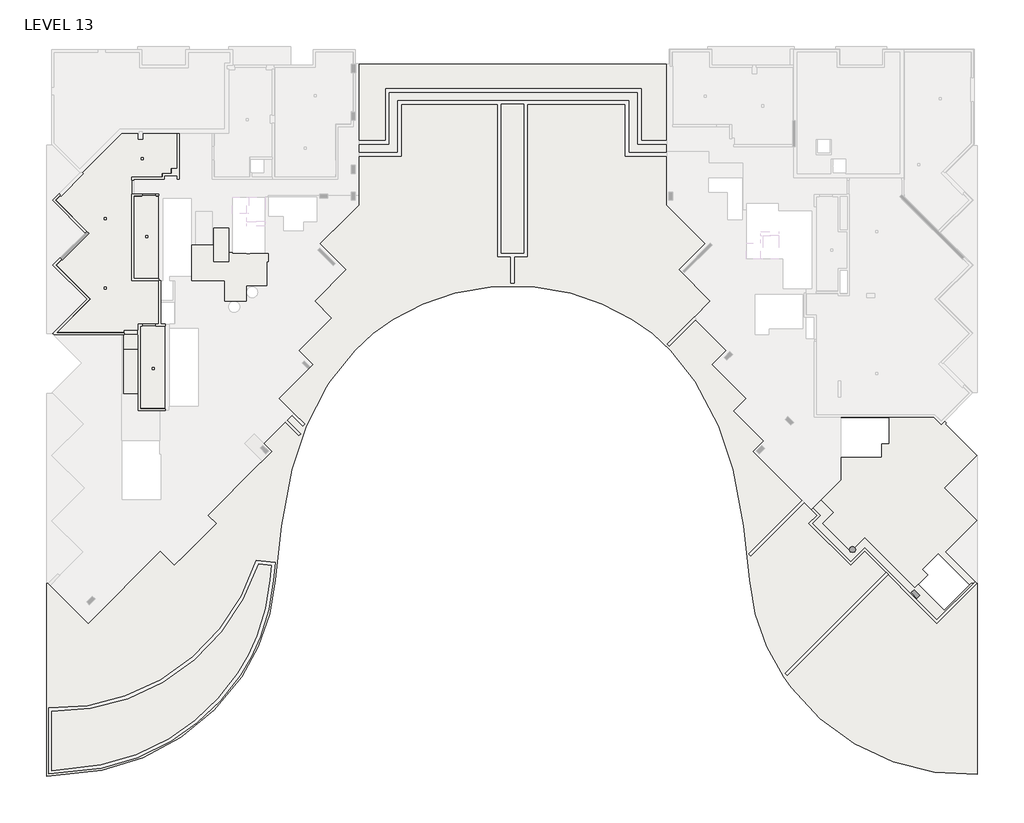
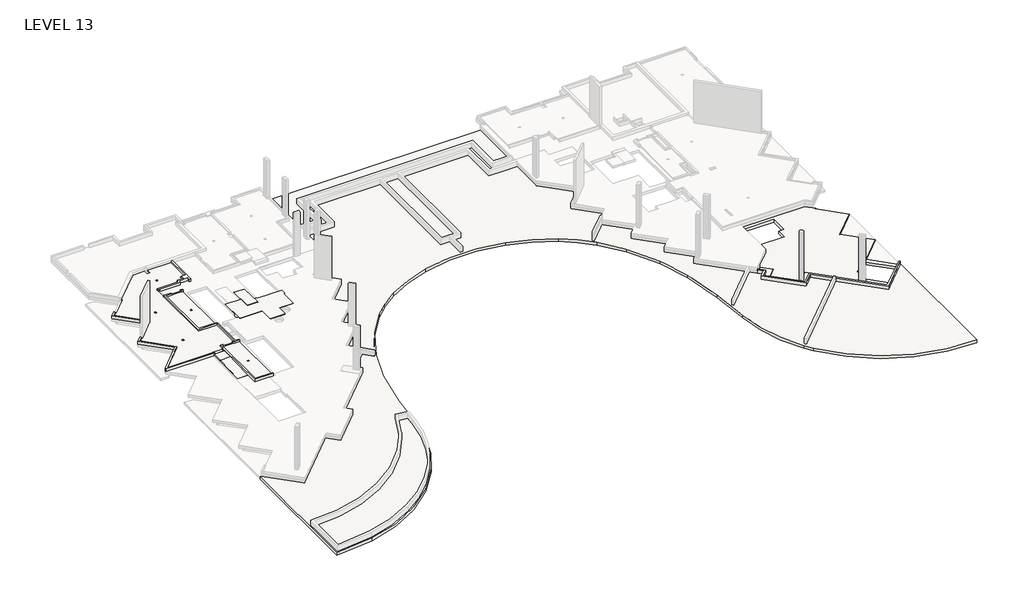
# One storey, part 3 of 5: 16 slabs.
"""IFC4 building model written with IfcOpenShell, lengths in millimetres."""

from ifc_helpers import new_model, si_unit, frame, origin, place, context, project, spatial, polyline, circle_curve, outline, extrude, faceted_brep, element, save
from ifc_brep_helpers import plane_surface, cylinder_surface, revolved_surface, advanced_brep

model = new_model("IFC4")

# Units and contexts
model_context = context("Model", 3, world=origin())
ifc_project = project(units=[si_unit("LENGTHUNIT", "METRE", prefix="MILLI")], contexts=[model_context])

# Site, building, storey
site = spatial("IfcSite", under=ifc_project)
building = spatial("IfcBuilding", under=site)
storey = spatial("IfcBuildingStorey", under=building, Name="LEVEL 13", Elevation=41350.0)

# Slabs
placement = place(None, origin())
element("IfcSlab", 1, ObjectType="300 TRANSFER SLAB", at=placement, inside=storey, context=model_context, shape_type="AdvancedBrep", body=[
    advanced_brep(
    [(177092.7148824, 178741.2468358, 40450.0), (178636.9284447, 178741.2468358, 40450.0), (180177.6999083, 177200.4753722, 40450.0), (185528.0555566, 182550.8310205, 40450.0), (186569.2233418, 181509.6632352, 40450.0), (188238.0107908, 183178.4506842, 40450.0), (187628.154746, 183788.306729, 40450.0), (192365.9563779, 188526.1083608, 40450.0), (191779.4730163, 189112.5917224, 40450.0), (194006.859377, 191339.9780831, 40450.0), (192893.3134847, 192453.5239755, 40450.0), (195403.5425579, 194963.7530487, 40450.0), (194362.5369954, 196004.7586111, 40450.0), (196780.8421871, 198423.0638028, 40450.0), (195536.1677402, 199667.7382497, 40450.0), (197855.4779825, 201987.048492, 40450.0), (195931.5445876, 203910.9818869, 40450.0), (199218.1920448, 207197.6293442, 40450.0), (199218.1920448, 217242.6490053, 40450.0), (224042.0250868, 217242.6490053, 40450.0), (224042.0250868, 207206.8127566, 40450.0), (227315.5865231, 203933.2513203, 40450.0), (225369.3798598, 201987.044657, 40450.0), (227688.8737564, 199667.5507604, 40450.0), (226444.1993095, 198422.8763135, 40450.0), (228862.4985728, 196004.5770502, 40450.0), (227821.6804996, 194963.7589771, 40450.0), (230331.7280119, 192453.7114648, 40450.0), (229400.0637814, 191522.0472343, 40450.0), (231627.525392, 189294.5856237, 40450.0), (230859.1603686, 188526.2206003, 40450.0), (234248.4590196, 185136.9219493, 40450.0), (235384.7547162, 184000.6262526, 40450.0), (234562.6543976, 183178.525934, 40450.0), (236655.7059153, 181085.4744164, 40450.0), (237696.7984507, 182126.5669518, 40450.0), (241424.5256004, 178398.8398022, 40450.0), (241674.8330065, 178649.1472084, 40450.0), (243584.0272409, 176739.952974, 40450.0), (245482.8211873, 178638.7469204, 40450.0), (245585.4333421, 178741.3590752, 40450.0), (246002.4018641, 178741.3590752, 40450.0), (246057.5141036, 178741.3590752, 40450.0), (246057.5141036, 164592.0462221, 40450.0), (232254.2528003, 171027.5821952, 40450.0), (231689.0540506, 171819.6534867, 40450.0), (229187.2501848, 178985.742701, 40450.0), (228727.4939175, 182985.0550997, 40450.0), (227983.7604506, 187202.8944956, 40450.0), (226898.7142603, 190423.6990912, 40450.0), (225141.7039187, 193690.2027974, 40450.0), (223318.1620181, 196009.1222946, 40450.0), (220495.2502794, 198313.1293785, 40450.0), (215914.8159299, 200257.0723546, 40450.0), (207336.2401225, 200257.0723546, 40450.0), (202755.805773, 198313.1293785, 40450.0), (199907.0669677, 196009.1222946, 40450.0), (198083.9001497, 193691.1641339, 40450.0), (197941.0561563, 193479.8002854, 40450.0), (197828.9705384, 193309.0705089, 40450.0), (196325.5402715, 190421.5075647, 40450.0), (195241.4685353, 187202.8944956, 40450.0), (194497.7350684, 182985.0550997, 40450.0), (194037.9788011, 178985.7427011, 40450.0), (191535.7999567, 171819.6534867, 40450.0), (181172.8086065, 164891.2831971, 40450.0), (177092.7148824, 164458.8771496, 40450.0), (177092.7148824, 178741.2468358, 40750.0), (177092.7148824, 164458.8771496, 40750.0), (181172.8086065, 164891.2831971, 40750.0), (191535.7999567, 171819.6534867, 40750.0), (194037.9788011, 178985.7427011, 40750.0), (194497.7350684, 182985.0550997, 40750.0), (195241.4685353, 187202.8944956, 40750.0), (196325.5402715, 190421.5075647, 40750.0), (197828.9705384, 193309.0705089, 40750.0), (197941.0561563, 193479.8002854, 40750.0), (198083.9001497, 193691.1641339, 40750.0), (199907.0669677, 196009.1222946, 40750.0), (202755.805773, 198313.1293785, 40750.0), (207336.2401225, 200257.0723546, 40750.0), (215914.8159299, 200257.0723546, 40750.0), (220495.2502794, 198313.1293785, 40750.0), (223318.1620181, 196009.1222946, 40750.0), (225141.7039187, 193690.2027974, 40750.0), (226898.7142603, 190423.6990912, 40750.0), (227983.7604506, 187202.8944956, 40750.0), (228727.4939175, 182985.0550997, 40750.0), (229187.2501848, 178985.7427011, 40750.0), (231689.0540506, 171819.6534867, 40750.0), (232254.2528003, 171027.5821952, 40750.0), (246057.5141036, 164592.0462221, 40750.0), (246057.5141036, 178741.3590752, 40750.0), (246002.4018641, 178741.3590752, 40750.0), (245585.4333421, 178741.3590752, 40750.0), (245482.8211873, 178638.7469204, 40750.0), (243584.0272409, 176739.952974, 40750.0), (241674.8330065, 178649.1472084, 40750.0), (241424.5256004, 178398.8398022, 40750.0), (237696.7984507, 182126.5669518, 40750.0), (236655.7059153, 181085.4744164, 40750.0), (234562.6543976, 183178.525934, 40750.0), (235384.7547162, 184000.6262526, 40750.0), (234460.5910539, 184924.789915, 40750.0), (234248.4590196, 185136.9219493, 40750.0), (230859.1603686, 188526.2206003, 40750.0), (231627.525392, 189294.5856237, 40750.0), (229400.0637814, 191522.0472343, 40750.0), (230331.7280119, 192453.7114648, 40750.0), (227821.6804996, 194963.7589771, 40750.0), (228862.4985728, 196004.5770502, 40750.0), (226444.1993095, 198422.8763135, 40750.0), (227688.8737564, 199667.5507604, 40750.0), (225369.3798598, 201987.044657, 40750.0), (227315.5865231, 203933.2513203, 40750.0), (224042.0250868, 207206.8127566, 40750.0), (224042.0250868, 217242.6490053, 40750.0), (223042.0250868, 217242.6490053, 40750.0), (199218.1920448, 217242.6490053, 40750.0), (199218.1920448, 217185.0490053, 40750.0), (199218.1920448, 207197.6293442, 40750.0), (195931.5445876, 203910.9818869, 40750.0), (196638.6513687, 203203.8751057, 40750.0), (197855.4779825, 201987.048492, 40750.0), (196243.2745214, 200374.8450309, 40750.0), (195536.1677402, 199667.7382497, 40750.0), (196780.8421871, 198423.0638028, 40750.0), (194362.5369954, 196004.7586111, 40750.0), (195403.5425579, 194963.7530487, 40750.0), (192893.3134847, 192453.5239755, 40750.0), (194006.859377, 191339.9780831, 40750.0), (191779.4730163, 189112.5917224, 40750.0), (192365.9563779, 188526.1083608, 40750.0), (187628.154746, 183788.306729, 40750.0), (188238.0107908, 183178.4506842, 40750.0), (186569.2233418, 181509.6632352, 40750.0), (185528.0555566, 182550.8310205, 40750.0), (180177.6999083, 177200.4753722, 40750.0), (178636.9284447, 178741.2468358, 40750.0)],
    [
        (0, 1),
        (1, 2),
        (2, 3),
        (3, 4),
        (4, 5),
        (5, 6),
        (6, 7),
        (7, 8),
        (8, 9),
        (9, 10),
        (10, 11),
        (11, 12),
        (12, 13),
        (13, 14),
        (14, 15),
        (15, 16),
        (16, 17),
        (17, 18),
        (18, 19),
        (19, 20),
        (20, 21),
        (21, 22),
        (22, 23),
        (23, 24),
        (24, 25),
        (25, 26),
        (26, 27),
        (27, 28),
        (28, 29),
        (29, 30),
        (30, 31),
        (31, 32),
        (32, 33),
        (33, 34),
        (34, 35),
        (35, 36),
        (36, 37),
        (37, 38),
        (38, 39),
        (39, 40),
        (40, 41),
        (41, 42),
        (42, 43),
        (43, 44, circle_curve(frame((245262.4874248, 180907.5656106, 40450.0), z_axis=(0.0, 0.0, -1.0), x_axis=(1.0, 0.0, 0.0)), 16334.8780325)),
        (44, 45, circle_curve(frame((245262.4874248, 180907.5656106, 40450.0), z_axis=(0.0, 0.0, -1.0), x_axis=(1.0, 0.0, 0.0)), 16334.8780325)),
        (45, 46, circle_curve(frame((244234.3376289, 180219.1815638, 40450.0), z_axis=(0.0, 0.0, -1.0), x_axis=(1.0, 0.0, 0.0)), 15097.5564903)),
        (46, 47, circle_curve(frame((129428.051674, 169543.6248485, 40450.0), z_axis=(0.0, 0.0, 1.0), x_axis=(1.0, 0.0, 0.0)), 100205.0461657)),
        (47, 48, circle_curve(frame((197377.1330649, 179631.5233702, 40450.0), z_axis=(0.0, 0.0, 1.0), x_axis=(1.0, 0.0, 0.0)), 31529.2134479)),
        (48, 49, circle_curve(frame((210270.4118974, 183028.6742886, 40450.0), z_axis=(0.0, 0.0, 1.0), x_axis=(1.0, 0.0, 0.0)), 18198.5392629)),
        (49, 50, circle_curve(frame((207712.3895659, 182209.4102314, 40450.0), z_axis=(0.0, 0.0, 1.0), x_axis=(1.0, 0.0, 0.0)), 20870.7833287)),
        (50, 51, circle_curve(frame((210443.9850343, 184008.7283406, 40450.0), z_axis=(0.0, 0.0, 1.0), x_axis=(1.0, 0.0, 0.0)), 17599.8263646)),
        (51, 52, circle_curve(frame((213519.5968853, 186885.0857325, 40450.0), z_axis=(0.0, 0.0, 1.0), x_axis=(1.0, 0.0, 0.0)), 13388.7983721)),
        (52, 53, circle_curve(frame((211625.5280262, 183782.0786925, 40450.0), z_axis=(0.0, 0.0, 1.0), x_axis=(1.0, 0.0, 0.0)), 17024.2006241)),
        (53, 54, circle_curve(frame((211625.5280262, 183782.0786925, 40450.0), z_axis=(0.0, 0.0, 1.0), x_axis=(1.0, 0.0, 0.0)), 17024.2006241)),
        (54, 55, circle_curve(frame((211625.5280262, 183782.0786925, 40450.0), z_axis=(0.0, 0.0, 1.0), x_axis=(1.0, 0.0, 0.0)), 17024.2006241)),
        (55, 56, circle_curve(frame((210005.1524798, 186436.7006213, 40450.0), z_axis=(0.0, 0.0, 1.0), x_axis=(1.0, 0.0, 0.0)), 13914.1146933)),
        (56, 57, circle_curve(frame((216873.5365078, 180788.3393989, 40450.0), z_axis=(0.0, 0.0, 1.0), x_axis=(1.0, 0.0, 0.0)), 22793.2735826)),
        (57, 58, circle_curve(frame((212236.907744, 183972.307793, 40450.0), z_axis=(0.0, 0.0, 1.0), x_axis=(1.0, 0.0, 0.0)), 17168.6863953)),
        (58, 59, circle_curve(frame((212236.907744, 183972.307793, 40450.0), z_axis=(0.0, 0.0, 1.0), x_axis=(1.0, 0.0, 0.0)), 17168.686208)),
        (59, 60, circle_curve(frame((212236.907744, 183972.307793, 40450.0), z_axis=(0.0, 0.0, 1.0), x_axis=(1.0, 0.0, 0.0)), 17168.6863951)),
        (60, 61, circle_curve(frame((212954.8170885, 183028.6742886, 40450.0), z_axis=(0.0, 0.0, 1.0), x_axis=(1.0, 0.0, 0.0)), 18198.5392629)),
        (61, 62, circle_curve(frame((225848.095921, 179631.5233702, 40450.0), z_axis=(0.0, 0.0, 1.0), x_axis=(1.0, 0.0, 0.0)), 31529.2134479)),
        (62, 63, circle_curve(frame((293797.1773119, 169543.6248485, 40450.0), z_axis=(0.0, 0.0, 1.0), x_axis=(1.0, 0.0, 0.0)), 100205.0461657)),
        (63, 64, circle_curve(frame((178988.05865, 180220.8271032, 40450.0), z_axis=(0.0, 0.0, -1.0), x_axis=(1.0, 0.0, 0.0)), 15100.5142308)),
        (64, 65, circle_curve(frame((177962.3665825, 180907.5656106, 40450.0), z_axis=(0.0, 0.0, -1.0), x_axis=(1.0, 0.0, 0.0)), 16334.8780325)),
        (65, 66, circle_curve(frame((176795.5352327, 186728.6644771, 40450.0), z_axis=(0.0, 0.0, -1.0), x_axis=(1.0, 0.0, 0.0)), 22271.7700992)),
        (66, 0),
        (67, 68),
        (68, 69, circle_curve(frame((176795.5352327, 186728.6644771, 40750.0), z_axis=(0.0, 0.0, 1.0), x_axis=(1.0, 0.0, 0.0)), 22271.7700992)),
        (69, 70, circle_curve(frame((177962.3665825, 180907.5656106, 40750.0), z_axis=(0.0, 0.0, 1.0), x_axis=(1.0, 0.0, 0.0)), 16334.8780325)),
        (70, 71, circle_curve(frame((178988.05865, 180220.8271032, 40750.0), z_axis=(0.0, 0.0, 1.0), x_axis=(1.0, 0.0, 0.0)), 15100.5142308)),
        (71, 72, circle_curve(frame((293797.1773119, 169543.6248485, 40750.0), z_axis=(0.0, 0.0, -1.0), x_axis=(1.0, 0.0, 0.0)), 100205.0461657)),
        (72, 73, circle_curve(frame((225848.095921, 179631.5233702, 40750.0), z_axis=(0.0, 0.0, -1.0), x_axis=(1.0, 0.0, 0.0)), 31529.2134479)),
        (73, 74, circle_curve(frame((212954.8170885, 183028.6742886, 40750.0), z_axis=(0.0, 0.0, -1.0), x_axis=(1.0, 0.0, 0.0)), 18198.5392629)),
        (74, 75, circle_curve(frame((212236.907744, 183972.307793, 40750.0), z_axis=(0.0, 0.0, -1.0), x_axis=(1.0, 0.0, 0.0)), 17168.6863953)),
        (75, 76, circle_curve(frame((212236.907744, 183972.307793, 40750.0), z_axis=(0.0, 0.0, -1.0), x_axis=(1.0, 0.0, 0.0)), 17168.6863951)),
        (76, 77, circle_curve(frame((212236.907744, 183972.307793, 40750.0), z_axis=(0.0, 0.0, -1.0), x_axis=(1.0, 0.0, 0.0)), 17168.686208)),
        (77, 78, circle_curve(frame((216873.5365078, 180788.3393989, 40750.0), z_axis=(0.0, 0.0, -1.0), x_axis=(1.0, 0.0, 0.0)), 22793.2735826)),
        (78, 79, circle_curve(frame((210005.1524798, 186436.7006213, 40750.0), z_axis=(0.0, 0.0, -1.0), x_axis=(1.0, 0.0, 0.0)), 13914.1146933)),
        (79, 80, circle_curve(frame((211625.5280262, 183782.0786925, 40750.0), z_axis=(0.0, 0.0, -1.0), x_axis=(1.0, 0.0, 0.0)), 17024.2006241)),
        (80, 81, circle_curve(frame((211625.5280262, 183782.0786925, 40750.0), z_axis=(0.0, 0.0, -1.0), x_axis=(1.0, 0.0, 0.0)), 17024.2006241)),
        (81, 82, circle_curve(frame((211625.5280262, 183782.0786925, 40750.0), z_axis=(0.0, 0.0, -1.0), x_axis=(1.0, 0.0, 0.0)), 17024.2006241)),
        (82, 83, circle_curve(frame((213519.5968853, 186885.0857325, 40750.0), z_axis=(0.0, 0.0, -1.0), x_axis=(1.0, 0.0, 0.0)), 13388.7983721)),
        (83, 84, circle_curve(frame((210443.9850343, 184008.7283406, 40750.0), z_axis=(0.0, 0.0, -1.0), x_axis=(1.0, 0.0, 0.0)), 17599.8263646)),
        (84, 85, circle_curve(frame((207712.3895659, 182209.4102314, 40750.0), z_axis=(0.0, 0.0, -1.0), x_axis=(1.0, 0.0, 0.0)), 20870.7833287)),
        (85, 86, circle_curve(frame((210270.4118974, 183028.6742886, 40750.0), z_axis=(0.0, 0.0, -1.0), x_axis=(1.0, 0.0, 0.0)), 18198.5392629)),
        (86, 87, circle_curve(frame((197377.1330649, 179631.5233702, 40750.0), z_axis=(0.0, 0.0, -1.0), x_axis=(1.0, 0.0, 0.0)), 31529.2134479)),
        (87, 88, circle_curve(frame((129428.051674, 169543.6248485, 40750.0), z_axis=(0.0, 0.0, -1.0), x_axis=(1.0, 0.0, 0.0)), 100205.0461657)),
        (88, 89, circle_curve(frame((244234.3376289, 180219.1815638, 40750.0), z_axis=(0.0, 0.0, 1.0), x_axis=(1.0, 0.0, 0.0)), 15097.5564903)),
        (89, 90, circle_curve(frame((245262.4874248, 180907.5656106, 40750.0), z_axis=(0.0, 0.0, 1.0), x_axis=(1.0, 0.0, 0.0)), 16334.8780325)),
        (90, 91, circle_curve(frame((245262.4874248, 180907.5656106, 40750.0), z_axis=(0.0, 0.0, 1.0), x_axis=(1.0, 0.0, 0.0)), 16334.8780325)),
        (91, 92),
        (92, 93),
        (93, 94),
        (94, 95),
        (95, 96),
        (96, 97),
        (97, 98),
        (98, 99),
        (99, 100),
        (100, 101),
        (101, 102),
        (102, 103),
        (103, 104),
        (104, 105),
        (105, 106),
        (106, 107),
        (107, 108),
        (108, 109),
        (109, 110),
        (110, 111),
        (111, 112),
        (112, 113),
        (113, 114),
        (114, 115),
        (115, 116),
        (116, 117),
        (117, 118),
        (118, 119),
        (119, 120),
        (120, 121),
        (121, 122),
        (122, 123),
        (123, 124),
        (124, 125),
        (125, 126),
        (126, 127),
        (127, 128),
        (128, 129),
        (129, 130),
        (130, 131),
        (131, 132),
        (132, 133),
        (133, 134),
        (134, 135),
        (135, 136),
        (136, 137),
        (137, 138),
        (138, 67),
        (0, 67),
        (138, 1),
        (137, 2),
        (136, 3),
        (135, 4),
        (134, 5),
        (133, 6),
        (132, 7),
        (131, 8),
        (130, 9),
        (129, 10),
        (128, 11),
        (127, 12),
        (126, 13),
        (125, 14),
        (123, 15),
        (121, 16),
        (120, 17),
        (118, 18),
        (116, 19),
        (115, 20),
        (114, 21),
        (113, 22),
        (112, 23),
        (111, 24),
        (110, 25),
        (109, 26),
        (108, 27),
        (107, 28),
        (106, 29),
        (105, 30),
        (102, 32),
        (101, 33),
        (100, 34),
        (99, 35),
        (98, 36),
        (38, 96),
        (94, 40),
        (92, 42),
        (91, 43),
        (90, 44),
        (89, 45),
        (88, 46),
        (87, 47),
        (86, 48),
        (85, 49),
        (84, 50),
        (83, 51),
        (82, 52),
        (81, 53),
        (80, 54),
        (79, 55),
        (78, 56),
        (77, 57),
        (74, 60),
        (73, 61),
        (72, 62),
        (71, 63),
        (70, 64),
        (69, 65),
        (68, 66),
        (97, 37),
    ],
    [
        plane_surface(frame((177222.7148823, 178741.2468358, 40450.0), z_axis=(0.0, 0.0, -1.0), x_axis=(1.0, 0.0, 0.0))),
        plane_surface(frame((177222.7148823, 178741.2468358, 40750.0), z_axis=(0.0, 0.0, 1.0), x_axis=(-1.0, 0.0, 0.0))),
        plane_surface(frame((177092.7148824, 178741.2468358, 40450.0), z_axis=(0.0, 1.0, 0.0), x_axis=(0.0, 0.0, 1.0))),
        plane_surface(frame((178636.9284447, 178741.2468358, 40450.0), z_axis=(0.7071067811865237, 0.7071067811865714, 0.0), x_axis=(0.0, 0.0, 1.0))),
        plane_surface(frame((180177.6999083, 177200.4753722, 40450.0), z_axis=(-0.7071067811865476, 0.7071067811865476, 0.0), x_axis=(0.0, 0.0, 1.0))),
        plane_surface(frame((185528.0555566, 182550.8310205, 40450.0), z_axis=(0.7071067811865476, 0.7071067811865476, 0.0), x_axis=(0.0, 0.0, 1.0))),
        plane_surface(frame((186569.2233418, 181509.6632352, 40450.0), z_axis=(-0.7071067811865476, 0.7071067811865476, 0.0), x_axis=(0.0, 0.0, 1.0))),
        plane_surface(frame((188238.0107908, 183178.4506842, 40450.0), z_axis=(-0.7071067811865476, -0.7071067811865476, 0.0), x_axis=(0.0, 0.0, 1.0))),
        plane_surface(frame((187628.154746, 183788.306729, 40450.0), z_axis=(-0.7071067811865476, 0.7071067811865476, 0.0), x_axis=(0.0, 0.0, 1.0))),
        plane_surface(frame((192365.9563779, 188526.1083608, 40450.0), z_axis=(-0.7071067811865476, -0.7071067811865476, 0.0), x_axis=(0.0, 0.0, 1.0))),
        plane_surface(frame((191779.4730163, 189112.5917224, 40450.0), z_axis=(-0.7071067811865476, 0.7071067811865476, 0.0), x_axis=(0.0, 0.0, 1.0))),
        plane_surface(frame((194006.859377, 191339.9780831, 40450.0), z_axis=(-0.7071067811865476, -0.7071067811865476, 0.0), x_axis=(0.0, 0.0, 1.0))),
        plane_surface(frame((192893.3134847, 192453.5239755, 40450.0), z_axis=(-0.7071067811865329, 0.7071067811865622, 0.0), x_axis=(0.0, 0.0, 1.0))),
        plane_surface(frame((195403.5425579, 194963.7530487, 40450.0), z_axis=(-0.7071067811865829, -0.7071067811865123, 0.0), x_axis=(0.0, 0.0, 1.0))),
        plane_surface(frame((194362.5369954, 196004.7586111, 40450.0), z_axis=(-0.7071067811865476, 0.7071067811865476, 0.0), x_axis=(0.0, 0.0, 1.0))),
        plane_surface(frame((196780.8421871, 198423.0638028, 40450.0), z_axis=(-0.7071067811865476, -0.7071067811865476, 0.0), x_axis=(0.0, 0.0, 1.0))),
        plane_surface(frame((195536.1677402, 199667.7382497, 40450.0), z_axis=(-0.7071067811865476, 0.7071067811865476, 0.0), x_axis=(0.0, 0.0, 1.0))),
        plane_surface(frame((197855.4779825, 201987.048492, 40450.0), z_axis=(-0.7071067811865476, -0.7071067811865476, 0.0), x_axis=(0.0, 0.0, 1.0))),
        plane_surface(frame((195931.5445876, 203910.9818869, 40450.0), z_axis=(-0.7071067811865476, 0.7071067811865476, 0.0), x_axis=(0.0, 0.0, 1.0))),
        plane_surface(frame((199218.1920448, 207197.6293442, 40450.0), z_axis=(-1.0, 0.0, 0.0), x_axis=(0.0, 0.0, 1.0))),
        plane_surface(frame((199218.1920448, 217242.6490053, 40450.0), z_axis=(0.0, 1.0, 0.0), x_axis=(0.0, 0.0, 1.0))),
        plane_surface(frame((224042.0250868, 217242.6490053, 40450.0), z_axis=(1.0, 0.0, 0.0), x_axis=(0.0, 0.0, 1.0))),
        plane_surface(frame((224042.0250868, 207206.8127566, 40450.0), z_axis=(0.7071067811865438, 0.7071067811865512, 0.0), x_axis=(0.0, 0.0, 1.0))),
        plane_surface(frame((227315.5865231, 203933.2513203, 40450.0), z_axis=(0.7071067811865664, -0.7071067811865287, 0.0), x_axis=(0.0, 0.0, 1.0))),
        plane_surface(frame((225369.3798598, 201987.044657, 40450.0), z_axis=(0.7071067811865476, 0.7071067811865476, 0.0), x_axis=(0.0, 0.0, 1.0))),
        plane_surface(frame((227688.8737564, 199667.5507604, 40450.0), z_axis=(0.7071067811865377, -0.7071067811865575, 0.0), x_axis=(0.0, 0.0, 1.0))),
        plane_surface(frame((226444.1993095, 198422.8763135, 40450.0), z_axis=(0.7071067811865476, 0.7071067811865476, 0.0), x_axis=(0.0, 0.0, 1.0))),
        plane_surface(frame((228862.4985728, 196004.5770502, 40450.0), z_axis=(0.7071067811865476, -0.7071067811865476, 0.0), x_axis=(0.0, 0.0, 1.0))),
        plane_surface(frame((227821.6804996, 194963.7589771, 40450.0), z_axis=(0.7071067811864987, 0.7071067811865964, 0.0), x_axis=(0.0, 0.0, 1.0))),
        plane_surface(frame((230331.7280119, 192453.7114648, 40450.0), z_axis=(0.7071067811865476, -0.7071067811865476, 0.0), x_axis=(0.0, 0.0, 1.0))),
        plane_surface(frame((229400.0637814, 191522.0472343, 40450.0), z_axis=(0.7071067811865531, 0.7071067811865421, 0.0), x_axis=(0.0, 0.0, 1.0))),
        plane_surface(frame((231627.525392, 189294.5856237, 40450.0), z_axis=(0.7071067811865476, -0.7071067811865476, 0.0), x_axis=(0.0, 0.0, 1.0))),
        plane_surface(frame((230859.1603686, 188526.2206003, 40450.0), z_axis=(0.7071067811865476, 0.7071067811865476, 0.0), x_axis=(0.0, 0.0, 1.0))),
        plane_surface(frame((235384.7547162, 184000.6262526, 40450.0), z_axis=(0.7071067811865177, -0.7071067811865773, 0.0), x_axis=(0.0, 0.0, 1.0))),
        plane_surface(frame((234562.6543976, 183178.525934, 40450.0), z_axis=(0.7071067811865476, 0.7071067811865476, 0.0), x_axis=(0.0, 0.0, 1.0))),
        plane_surface(frame((236655.7059153, 181085.4744164, 40450.0), z_axis=(-0.7071067811865476, 0.7071067811865476, 0.0), x_axis=(0.0, 0.0, 1.0))),
        plane_surface(frame((237696.7984507, 182126.5669518, 40450.0), z_axis=(0.7071067811865673, 0.7071067811865278, 0.0), x_axis=(0.0, 0.0, 1.0))),
        plane_surface(frame((243584.0272409, 176739.952974, 40450.0), z_axis=(-0.7071067811865291, 0.7071067811865659, 0.0), x_axis=(0.0, 0.0, 1.0))),
        plane_surface(frame((245585.4333421, 178741.3590752, 40450.0), z_axis=(0.0, 1.0, 0.0), x_axis=(0.0, 0.0, 1.0))),
        plane_surface(frame((246057.5141036, 178741.3590752, 40450.0), z_axis=(1.0, 0.0, 0.0), x_axis=(0.0, 0.0, 1.0))),
        cylinder_surface(frame((245262.4874248, 180907.5656106, 40750.0), z_axis=(0.0, 0.0, -1.0), x_axis=(1.0, 0.0, 0.0)), 16334.8780325),
        cylinder_surface(frame((244234.3376289, 180219.1815638, 40750.0), z_axis=(0.0, 0.0, -1.0), x_axis=(1.0, 0.0, 0.0)), 15097.5564903),
        revolved_surface(polyline([(229633.0978397, 169543.6248485, 40750.0), (229633.0978397, 169543.6248485, 40450.0)]), (129428.051674, 169543.6248485, 40750.0), (0.0, 0.0, 1.0)),
        revolved_surface(polyline([(228906.3465128, 179631.5233702, 40750.0), (228906.3465128, 179631.5233702, 40450.0)]), (197377.1330649, 179631.5233702, 40750.0), (0.0, 0.0, 1.0)),
        revolved_surface(polyline([(228468.9511603, 183028.6742886, 40750.0), (228468.9511603, 183028.6742886, 40450.0)]), (210270.4118974, 183028.6742886, 40750.0), (0.0, 0.0, 1.0)),
        revolved_surface(polyline([(228583.1728946, 182209.4102314, 40750.0), (228583.1728946, 182209.4102314, 40450.0)]), (207712.3895659, 182209.4102314, 40750.0), (0.0, 0.0, 1.0)),
        revolved_surface(polyline([(228043.81139890003, 184008.7283406, 40750.0), (228043.81139890003, 184008.7283406, 40450.0)]), (210443.9850343, 184008.7283406, 40750.0), (0.0, 0.0, 1.0)),
        revolved_surface(polyline([(226908.3952574, 186885.0857325, 40750.0), (226908.3952574, 186885.0857325, 40450.0)]), (213519.5968853, 186885.0857325, 40750.0), (0.0, 0.0, 1.0)),
        revolved_surface(polyline([(228649.72865029998, 183782.0786925, 40750.0), (228649.72865029998, 183782.0786925, 40450.0)]), (211625.5280262, 183782.0786925, 40750.0), (0.0, 0.0, 1.0)),
        revolved_surface(polyline([(223919.2671731, 186436.7006213, 40750.0), (223919.2671731, 186436.7006213, 40450.0)]), (210005.1524798, 186436.7006213, 40750.0), (0.0, 0.0, 1.0)),
        revolved_surface(polyline([(239666.8100904, 180788.3393989, 40750.0), (239666.8100904, 180788.3393989, 40450.0)]), (216873.5365078, 180788.3393989, 40750.0), (0.0, 0.0, 1.0)),
        revolved_surface(polyline([(229405.5941393, 183972.307793, 40750.0), (229405.5941393, 183972.307793, 40450.0)]), (212236.907744, 183972.307793, 40750.0), (0.0, 0.0, 1.0)),
        revolved_surface(polyline([(231153.35635140003, 183028.6742886, 40750.0), (231153.35635140003, 183028.6742886, 40450.0)]), (212954.8170885, 183028.6742886, 40750.0), (0.0, 0.0, 1.0)),
        revolved_surface(polyline([(257377.3093689, 179631.5233702, 40750.0), (257377.3093689, 179631.5233702, 40450.0)]), (225848.095921, 179631.5233702, 40750.0), (0.0, 0.0, 1.0)),
        revolved_surface(polyline([(394002.2234776, 169543.6248485, 40750.0), (394002.2234776, 169543.6248485, 40450.0)]), (293797.1773119, 169543.6248485, 40750.0), (0.0, 0.0, 1.0)),
        cylinder_surface(frame((178988.05865, 180220.8271032, 40750.0), z_axis=(0.0, 0.0, -1.0), x_axis=(1.0, 0.0, 0.0)), 15100.5142308),
        cylinder_surface(frame((177962.3665825, 180907.5656106, 40750.0), z_axis=(0.0, 0.0, -1.0), x_axis=(1.0, 0.0, 0.0)), 16334.8780325),
        cylinder_surface(frame((176795.5352327, 186728.6644771, 40750.0), z_axis=(0.0, 0.0, -1.0), x_axis=(1.0, 0.0, 0.0)), 22271.7700992),
        plane_surface(frame((177092.7148824, 164458.8771496, 40450.0), z_axis=(-1.0, 0.0, 0.0), x_axis=(0.0, 0.0, 1.0))),
        plane_surface(frame((241424.5256004, 178398.8398022, 40450.0), z_axis=(-0.7071067811865476, 0.7071067811865476, 0.0), x_axis=(0.0, 0.0, 1.0))),
        plane_surface(frame((241674.8330065, 178649.1472084, 40450.0), z_axis=(0.707106781186554, 0.7071067811865411, 0.0), x_axis=(0.0, 0.0, 1.0))),
    ],
    [
        (0, [[1, 2, 3, 4, 5, 6, 7, 8, 9, 10, 11, 12, 13, 14, 15, 16, 17, 18, 19, 20, 21, 22, 23, 24, 25, 26, 27, 28, 29, 30, 31, 32, 33, 34, 35, 36, 37, 38, 39, 40, 41, 42, 43, 44, 45, 46, 47, 48, 49, 50, 51, 52, 53, 54, 55, 56, 57, 58, 59, 60, 61, 62, 63, 64, 65, 66, 67]]),
        (1, [[68, 69, 70, 71, 72, 73, 74, 75, 76, 77, 78, 79, 80, 81, 82, 83, 84, 85, 86, 87, 88, 89, 90, 91, 92, 93, 94, 95, 96, 97, 98, 99, 100, 101, 102, 103, 104, 105, 106, 107, 108, 109, 110, 111, 112, 113, 114, 115, 116, 117, 118, 119, 120, 121, 122, 123, 124, 125, 126, 127, 128, 129, 130, 131, 132, 133, 134, 135, 136, 137, 138, 139]]),
        (2, [[-1, 140, -139, 141]]),
        (3, [[-2, -141, -138, 142]]),
        (4, [[-3, -142, -137, 143]]),
        (5, [[-4, -143, -136, 144]]),
        (6, [[-5, -144, -135, 145]]),
        (7, [[-6, -145, -134, 146]]),
        (8, [[-7, -146, -133, 147]]),
        (9, [[-8, -147, -132, 148]]),
        (10, [[-9, -148, -131, 149]]),
        (11, [[-10, -149, -130, 150]]),
        (12, [[-11, -150, -129, 151]]),
        (13, [[-12, -151, -128, 152]]),
        (14, [[-13, -152, -127, 153]]),
        (15, [[-14, -153, -126, 154]]),
        (16, [[-15, -154, -125, -124, 155]]),
        (17, [[-16, -155, -123, -122, 156]]),
        (18, [[-17, -156, -121, 157]]),
        (19, [[-18, -157, -120, -119, 158]]),
        (20, [[-19, -158, -118, -117, 159]]),
        (21, [[-20, -159, -116, 160]]),
        (22, [[-21, -160, -115, 161]]),
        (23, [[-22, -161, -114, 162]]),
        (24, [[-23, -162, -113, 163]]),
        (25, [[-24, -163, -112, 164]]),
        (26, [[-25, -164, -111, 165]]),
        (27, [[-26, -165, -110, 166]]),
        (28, [[-27, -166, -109, 167]]),
        (29, [[-28, -167, -108, 168]]),
        (30, [[-29, -168, -107, 169]]),
        (31, [[-30, -169, -106, 170]]),
        (32, [[-32, -31, -170, -105, -104, -103, 171]]),
        (33, [[-33, -171, -102, 172]]),
        (34, [[-34, -172, -101, 173]]),
        (35, [[-35, -173, -100, 174]]),
        (36, [[-36, -174, -99, 175]]),
        (37, [[-40, -39, 176, -96, -95, 177]]),
        (38, [[-42, -41, -177, -94, -93, 178]]),
        (39, [[-43, -178, -92, 179]]),
        (40, [[-44, -179, -91, 180]]),
        (40, [[-45, -180, -90, 181]]),
        (41, [[-46, -181, -89, 182]]),
        (42, [[-47, -182, -88, 183]]),
        (43, [[-48, -183, -87, 184]]),
        (44, [[-49, -184, -86, 185]]),
        (45, [[-50, -185, -85, 186]]),
        (46, [[-51, -186, -84, 187]]),
        (47, [[-52, -187, -83, 188]]),
        (48, [[-53, -188, -82, 189]]),
        (48, [[-54, -189, -81, 190]]),
        (48, [[-55, -190, -80, 191]]),
        (49, [[-56, -191, -79, 192]]),
        (50, [[-57, -192, -78, 193]]),
        (51, [[-60, -59, -58, -193, -77, -76, -75, 194]]),
        (52, [[-61, -194, -74, 195]]),
        (53, [[-62, -195, -73, 196]]),
        (54, [[-63, -196, -72, 197]]),
        (55, [[-64, -197, -71, 198]]),
        (56, [[-65, -198, -70, 199]]),
        (57, [[-66, -199, -69, 200]]),
        (58, [[-67, -200, -68, -140]]),
        (59, [[-37, -175, -98, 201]]),
        (60, [[-38, -201, -97, -176]]),
    ],
),
])
element("IfcSlab", 2, ObjectType="300 TRANSFER SLAB", at=placement, inside=storey, context=model_context, shape_type="Brep", body=[
    faceted_brep([(235648.3270284, 186536.7899582, 40450.0), (235648.3270284, 191369.9667857, 40450.0), (242990.446377, 191369.9667857, 40450.0), (243743.3079376, 190617.1052251, 40450.0), (243672.5972595, 190546.394547, 40450.0), (246002.5141036, 188216.4777029, 40450.0), (243584.2148376, 185798.1784369, 40450.0), (245992.0949916, 183390.2982829, 40450.0), (243672.778824, 181070.9821153, 40450.0), (246002.4018641, 178741.3590752, 40450.0), (245585.4333421, 178741.3590752, 40450.0), (245482.8211873, 178638.7469204, 40450.0), (243163.5050198, 180958.0630878, 40450.0), (241971.8178546, 179766.3759226, 40450.0), (242381.9397877, 179356.2539895, 40450.0), (241674.8330065, 178649.1472084, 40450.0), (241424.5256004, 178398.8398022, 40450.0), (237696.7984507, 182126.5669518, 40450.0), (236655.7059153, 181085.4744164, 40450.0), (234562.6543976, 183178.525934, 40450.0), (235384.7547162, 184000.6262526, 40450.0), (234248.4590196, 185136.9219493, 40450.0), (238930.1270284, 189120.2045887, 40450.0), (239468.3270284, 189120.2045887, 40450.0), (239468.3270284, 190999.9667857, 40450.0), (235948.3270284, 190999.9667857, 40450.0), (235948.3270284, 188104.2045887, 40450.0), (238930.1270284, 188104.2045887, 40450.0), (235648.3270284, 191369.9667857, 40750.0), (235648.3270284, 186536.7899582, 40750.0), (234248.4590195, 185136.9219493, 40750.0), (234460.5910539, 184924.789915, 40750.0), (235384.7547162, 184000.6262526, 40750.0), (234562.6543976, 183178.525934, 40750.0), (236655.7059153, 181085.4744164, 40750.0), (237696.7984507, 182126.5669518, 40750.0), (241424.5256004, 178398.8398022, 40750.0), (241674.8330065, 178649.1472084, 40750.0), (242381.9397877, 179356.2539895, 40750.0), (241971.8178546, 179766.3759226, 40750.0), (243163.5050198, 180958.0630878, 40750.0), (245482.8152621, 178638.7528455, 40750.0), (245585.4333421, 178741.3590752, 40750.0), (246002.4018641, 178741.3590752, 40750.0), (243672.778824, 181070.9821153, 40750.0), (245992.0949916, 183390.2982829, 40750.0), (243584.2148376, 185798.1784369, 40750.0), (246002.5141036, 188216.4777029, 40750.0), (243672.5972595, 190546.394547, 40750.0), (243743.3079376, 190617.1052251, 40750.0), (242990.446377, 191369.9667857, 40750.0), (239468.3270284, 189120.2045887, 40750.0), (238930.1270284, 189120.2045887, 40750.0), (238930.1270284, 188104.2045887, 40750.0), (235948.3270284, 188104.2045887, 40750.0), (235948.3270284, 190999.9667857, 40750.0), (239468.3270284, 190999.9667857, 40750.0)], [[[0, 1, 2, 3, 4, 5, 6, 7, 8, 9, 10, 11, 12, 13, 14, 15, 16, 17, 18, 19, 20, 21], [22, 23, 24, 25, 26, 27]], [[28, 29, 30, 31, 32, 33, 34, 35, 36, 37, 38, 39, 40, 41, 42, 43, 44, 45, 46, 47, 48, 49, 50], [51, 52, 53, 54, 55, 56]], [[29, 0, 21, 30]], [[1, 0, 29, 28]], [[2, 1, 28, 50]], [[3, 2, 50, 49]], [[4, 3, 49, 48]], [[5, 4, 48, 47]], [[6, 5, 47, 46]], [[7, 6, 46, 45]], [[8, 7, 45, 44]], [[9, 8, 44, 43]], [[14, 13, 39, 38]], [[14, 38, 37, 36, 16, 15]], [[12, 11, 41, 40]], [[13, 12, 40, 39]], [[23, 22, 52, 51]], [[24, 23, 51, 56]], [[25, 24, 56, 55]], [[26, 25, 55, 54]], [[27, 26, 54, 53]], [[22, 27, 53, 52]], [[20, 32, 31, 30, 21]], [[32, 20, 19, 33]], [[33, 19, 18, 34]], [[34, 18, 17, 35]], [[35, 17, 16, 36]], [[10, 42, 41, 11]], [[42, 10, 9, 43]]]),
])
element("IfcSlab", 3, ObjectType="300 TRANSFER SLAB", at=placement, inside=storey, context=model_context, shape_type="Brep", body=[
    faceted_brep([(191901.1489175, 203148.1983002, 41100.0), (192181.1958691, 203148.1983002, 41100.0), (192181.1958691, 203198.1643937, 41100.0), (193281.1958691, 203198.1643937, 41100.0), (193531.1958691, 203198.1643937, 41100.0), (193531.1958691, 202593.1983002, 41100.0), (193421.1958691, 202593.1983002, 41100.0), (193421.1958691, 200823.2169811, 41100.0), (191888.9560768, 200823.2169811, 41100.0), (191888.9560768, 199683.2169811, 41100.0), (190291.1560768, 199683.2169811, 41100.0), (190291.1560768, 201193.2322067, 41100.0), (187861.1489205, 201193.2322067, 41100.0), (187861.1489205, 201493.1983002, 41100.0), (187861.1489205, 201593.1983002, 41100.0), (187861.1489205, 202193.1983002, 41100.0), (190841.1489175, 202193.1983002, 41100.0), (190841.1489175, 202578.1983002, 41100.0), (190841.1489175, 202828.1983002, 41100.0), (190841.1489175, 203178.1983002, 41100.0), (191901.1489175, 203178.1983002, 41100.0), (192181.1958691, 203148.1983002, 41400.0), (191901.1489175, 203148.1983002, 41400.0), (191901.1489175, 203178.1983002, 41400.0), (190841.1489175, 203178.1983002, 41400.0), (190841.1489175, 203273.1983002, 41400.0), (190591.1489175, 203273.1983002, 41400.0), (190591.1489175, 202593.1983002, 41400.0), (189491.1489175, 202593.1983002, 41400.0), (189491.1489175, 203833.1983002, 41400.0), (187861.1489205, 203833.1983002, 41400.0), (187861.1489205, 201193.2322067, 41400.0), (190291.1560768, 201193.2322067, 41400.0), (190291.1560768, 199683.2169811, 41400.0), (191888.9560768, 199683.2169811, 41400.0), (191888.9560768, 200823.2169811, 41400.0), (193421.1958691, 200823.2169811, 41400.0), (193421.1958691, 202593.1983002, 41400.0), (193531.1958691, 202593.1983002, 41400.0), (193531.1958691, 203198.1643937, 41400.0), (192181.1958691, 203198.1643937, 41400.0), (193531.1958691, 203198.1643937, 41350.0), (193531.1958691, 202593.1983002, 41350.0), (193421.1958691, 202593.1983002, 41350.0), (193421.1958691, 200823.2169811, 41350.0), (191888.9560768, 200823.2169811, 41350.0), (190591.1489175, 203273.1983002, 41350.0), (190591.1489175, 202593.1983002, 41350.0), (190841.1489175, 203273.1983002, 41350.0), (191888.9560768, 199683.2169811, 41350.0), (190291.1560768, 199683.2169811, 41350.0), (190291.1560768, 201193.2322067, 41350.0), (187861.1489205, 201193.2322067, 41350.0), (187861.1489205, 203833.1983002, 41350.0), (187861.1489205, 202193.1983002, 41350.0), (189491.1489175, 202593.1983002, 41350.0), (189491.1489175, 203833.1983002, 41350.0), (190841.1489175, 203178.1983002, 41350.0), (190841.1489175, 202193.1983002, 41350.0)], [[[0, 1, 2, 3, 4, 5, 6, 7, 8, 9, 10, 11, 12, 13, 14, 15, 16, 17, 18, 19, 20]], [[21, 22, 23, 24, 25, 26, 27, 28, 29, 30, 31, 32, 33, 34, 35, 36, 37, 38, 39, 40]], [[1, 0, 22, 21]], [[5, 4, 41, 39, 38, 42]], [[6, 5, 42, 38, 37, 43]], [[7, 6, 43, 37, 36, 44]], [[8, 7, 44, 36, 35, 45]], [[27, 26, 46, 47]], [[26, 25, 48, 46]], [[22, 0, 20, 23]], [[2, 1, 21, 40]], [[4, 3, 2, 40, 39, 41]], [[9, 8, 45, 35, 34, 49]], [[10, 9, 49, 34, 33, 50]], [[11, 10, 50, 33, 32, 51]], [[12, 11, 51, 32, 31, 52]], [[31, 30, 53, 54, 15, 14, 13, 12, 52]], [[28, 27, 47, 55]], [[30, 29, 56, 53]], [[29, 28, 55, 56]], [[25, 24, 57, 48]], [[20, 19, 57, 24, 23]], [[58, 54, 53, 56, 55, 47, 46, 48, 57]], [[58, 57, 19, 18, 17, 16]], [[54, 58, 16, 15]]]),
])
element("IfcSlab", 4, ObjectType="CONCRETE FILL_RAMP", at=placement, inside=storey, context=model_context, shape_type="SweptSolid", body=[
    extrude(outline(polyline([(205093.1983002, 41398.0), (202593.1983002, 41398.0), (202593.1983002, 41450.0), (205093.1983002, 41400.0), (205093.1983002, 41398.0)])), frame((189491.1489175, 0.0, 0.0), z_axis=(1.0, 0.0, 0.0), x_axis=(0.0, 1.0, 0.0)), (0.0, 0.0, 1.0), 1100.0),
])
element("IfcSlab", 5, ObjectType="F2A - 165mm Concrete Curb", at=placement, inside=storey, context=model_context, shape_type="SweptSolid", body=[
    extrude(outline(polyline([(185183.1489205, 207608.2322067), (185183.1489205, 207471.2322067), (184171.1489205, 207471.2322067), (184171.1489205, 207608.2322067), (185183.1489205, 207608.2322067)])), frame((0.0, 0.0, 41350.0), z_axis=(0.0, 0.0, 1.0), x_axis=(1.0, 0.0, 0.0)), (0.0, 0.0, 1.0), 165.0),
])
element("IfcSlab", 6, ObjectType="F2A - 165mm Concrete Curb", at=placement, inside=storey, context=model_context, shape_type="SweptSolid", body=[
    extrude(outline(polyline([(184171.1489205, 197958.2322067), (185186.1489205, 197958.2322067), (185186.1489205, 197818.2322067), (184171.1489205, 197818.2322067), (184171.1489205, 197958.2322067)])), frame((0.0, 0.0, 41350.0), z_axis=(0.0, 0.0, 1.0), x_axis=(1.0, 0.0, 0.0)), (0.0, 0.0, 1.0), 165.0),
])
element("IfcSlab", 7, ObjectType="F2A - 165mm Concrete Curb", at=placement, inside=storey, context=model_context, shape_type="SweptSolid", body=[
    extrude(outline(polyline([(183846.1019659, 197498.4495528), (183846.1019659, 197168.4495528), (182831.1019659, 197168.4495528), (182831.1019659, 197498.4495528), (183846.1019659, 197498.4495528)])), frame((0.0, 0.0, 41350.0), z_axis=(0.0, 0.0, 1.0), x_axis=(1.0, 0.0, 0.0)), (0.0, 0.0, 1.0), 165.0),
])
element("IfcSlab", 8, ObjectType="F2A - 315mm Concrete Curb", at=placement, inside=storey, context=model_context, shape_type="SweptSolid", body=[
    extrude(outline(polyline([(186781.1489205, 209488.1983002), (186781.1489205, 212130.1487656), (186921.1489205, 212130.1487656), (186921.1489205, 208708.1983002), (186781.1489205, 208708.1983002), (186781.1489205, 208958.1983002), (185831.1489205, 208958.1983002), (185831.1489205, 208708.1983002), (183551.1489205, 208708.1983002), (183551.1489205, 208623.2322067), (183411.1489205, 208623.2322067), (183411.1489205, 208848.1983002), (185691.1489205, 208848.1983002), (185691.1489205, 209098.1983002), (186358.9989205, 209098.1983002), (186358.9989205, 209488.1983002), (186781.1489205, 209488.1983002)])), frame((0.0, 0.0, 41350.0), z_axis=(0.0, 0.0, 1.0), x_axis=(1.0, 0.0, 0.0)), (0.0, 0.0, 1.0), 315.0),
    extrude(outline(polyline([(183411.1489205, 207608.2322067), (184171.1489205, 207608.2322067), (184171.1489205, 207468.2322067), (183551.1489205, 207468.2322067), (183551.1489205, 201333.1983002), (185401.1489205, 201333.1983002), (185401.1489205, 201193.1983002), (183411.1489205, 201193.1983002), (183411.1489205, 207608.2322067)])), frame((0.0, 0.0, 41350.0), z_axis=(0.0, 0.0, 1.0), x_axis=(1.0, 0.0, 0.0)), (0.0, 0.0, 1.0), 315.0),
    extrude(outline(polyline([(185401.1489205, 207608.2322067), (185401.1489205, 207468.2322067), (185186.1489205, 207468.2322067), (185186.1489205, 207608.2322067), (185401.1489205, 207608.2322067)])), frame((0.0, 0.0, 41350.0), z_axis=(0.0, 0.0, 1.0), x_axis=(1.0, 0.0, 0.0)), (0.0, 0.0, 1.0), 315.0),
])
element("IfcSlab", 9, ObjectType="F2A - 315mm Concrete Curb", at=placement, inside=storey, context=model_context, shape_type="SweptSolid", body=[
    extrude(outline(polyline([(185401.1489205, 197958.2322067), (185401.1489205, 201193.2322067), (185541.1489175, 201193.2322067), (185541.1489175, 197958.2322067), (185901.1489175, 197958.2322067), (185901.1489175, 197818.2322067), (185186.1489205, 197818.2322067), (185186.1489205, 197958.2322067), (185401.1489205, 197958.2322067)])), frame((0.0, 0.0, 41350.0), z_axis=(0.0, 0.0, 1.0), x_axis=(1.0, 0.0, 0.0)), (0.0, 0.0, 1.0), 315.0),
    extrude(outline(polyline([(183896.1019659, 197958.2322067), (184171.1489205, 197958.2322067), (184171.1489205, 197818.2322067), (184036.1019659, 197818.2322067), (184036.1019659, 191683.2322067), (185901.1489175, 191683.2322067), (185901.1489175, 191543.2322067), (183896.1019659, 191543.2322067), (183896.1019659, 197168.4495528), (183846.1019659, 197168.4495528), (183846.1019659, 197498.4495528), (183896.1019659, 197498.4495528), (183896.1019659, 197958.2322067)])), frame((0.0, 0.0, 41350.0), z_axis=(0.0, 0.0, 1.0), x_axis=(1.0, 0.0, 0.0)), (0.0, 0.0, 1.0), 315.0),
])
element("IfcSlab", 10, ObjectType="F2A - 315mm Concrete Curb", at=placement, inside=storey, context=model_context, shape_type="SweptSolid", body=[
    extrude(outline(polyline([(177735.3672987, 207142.1907014), (180054.6716155, 204822.8863846), (179955.6766661, 204723.8914352), (177537.3774, 207142.1907014), (178023.7445381, 207628.5578395), (178122.7394874, 207529.5628901), (177735.3672987, 207142.1907014)])), frame((0.0, 0.0, 41350.0), z_axis=(0.0, 0.0, 1.0), x_axis=(1.0, 0.0, 0.0)), (0.0, 0.0, 1.0), 315.0),
    extrude(outline(polyline([(177760.1101106, 202330.334981), (180291.5583128, 199798.8867788), (177801.1210867, 197308.4495528), (182831.1019659, 197308.4495528), (182831.1019659, 197168.4495528), (177661.1210867, 197168.4495528), (177562.1261373, 197267.4445021), (180093.568414, 199798.8867788), (177562.1202119, 202330.334981), (178124.2701029, 202892.484872), (178223.2650523, 202793.4899227), (177760.1101106, 202330.334981)])), frame((0.0, 0.0, 41350.0), z_axis=(0.0, 0.0, 1.0), x_axis=(1.0, 0.0, 0.0)), (0.0, 0.0, 1.0), 315.0),
])
element("IfcSlab", 11, ObjectType="F2A - 375mm Concrete Curb", at=placement, inside=storey, context=model_context, shape_type="SweptSolid", body=[
    extrude(outline(polyline([(234416.018426, 183788.4942183), (233806.0501417, 183178.525934), (236655.7059153, 180328.8701605), (237696.7984507, 181369.9626959), (243047.2293488, 176019.5317978), (245885.7292452, 178858.0316941), (246002.4018641, 178741.3590752), (243047.2293488, 175786.18656), (237696.7984507, 181136.6174581), (236655.7059153, 180095.5249227), (233572.7049039, 183178.525934), (234182.6731882, 183788.4942183), (233753.4842727, 184217.6831338), (233870.1568916, 184334.3557527), (234416.018426, 183788.4942183)])), frame((0.0, 0.0, 40750.0), z_axis=(0.0, 0.0, 1.0), x_axis=(1.0, 0.0, 0.0)), (0.0, 0.0, 1.0), 375.0),
])
element("IfcSlab", 12, ObjectType="F3A - 165mm Concrete Topping Slab (Secondary Pour)", at=placement, inside=storey, context=model_context, shape_type="SweptSolid", body=[
    extrude(outline(polyline([(196068.4495528, 41350.0), (192783.2322067, 41350.0), (192783.2322067, 41400.0), (196068.4495528, 41515.0), (196068.4495528, 41350.0)])), frame((182796.1019659, 0.0, 0.0), z_axis=(1.0, 0.0, 0.0), x_axis=(0.0, 1.0, 0.0)), (0.0, 0.0, 1.0), 1100.0),
])
element("IfcSlab", 13, ObjectType="F3A - 165mm Concrete Topping Slab (Secondary Pour)", at=placement, inside=storey, context=model_context, shape_type="SweptSolid", body=[
    extrude(outline(polyline([(183896.1019659, 197168.4495528), (183896.1019659, 196068.4495528), (182796.1019659, 196068.4495528), (182796.1019659, 197168.4495528), (183896.1019659, 197168.4495528)])), frame((0.0, 0.0, 41350.0), z_axis=(0.0, 0.0, 1.0), x_axis=(1.0, 0.0, 0.0)), (0.0, 0.0, 1.0), 165.0),
])
element("IfcSlab", 14, ObjectType="F3B - 165mm Mechanical Floating Floor", at=placement, inside=storey, context=model_context, shape_type="SweptSolid", body=[
    extrude(outline(polyline([(184171.1489205, 207418.2322067), (184171.1489205, 207468.2322067), (185186.1489205, 207468.2322067), (185186.1489205, 207418.2322067), (185351.1489205, 207418.2322067), (185351.1489205, 201383.1983002), (183601.1489205, 201383.1983002), (183601.1489205, 207418.2322067), (184171.1489205, 207418.2322067)]), holes=[polyline([(184596.1491689, 204375.9124329), (184596.1491689, 204525.9124329), (184446.1491689, 204525.9124329), (184446.1491689, 204375.9124329), (184596.1491689, 204375.9124329)])]), frame((0.0, 0.0, 41350.0), z_axis=(0.0, 0.0, 1.0), x_axis=(1.0, 0.0, 0.0)), (0.0, 0.0, 1.0), 165.0),
])
element("IfcSlab", 15, ObjectType="F3B - 165mm Mechanical Floating Floor", at=placement, inside=storey, context=model_context, shape_type="SweptSolid", body=[
    extrude(outline(polyline([(185851.1489175, 197771.2322067), (185851.1489175, 191733.2322067), (184086.1019659, 191733.2322067), (184086.1019659, 197768.2322067), (184171.1489205, 197768.2322067), (184171.1489205, 197818.2322067), (185183.1489205, 197818.2322067), (185183.1489205, 197771.2322067), (185851.1489175, 197771.2322067)]), holes=[polyline([(185081.1489205, 194746.4318003), (184931.1489205, 194746.4318003), (184931.1489205, 194596.4318003), (185081.1489205, 194596.4318003), (185081.1489205, 194746.4318003)])]), frame((0.0, 0.0, 41350.0), z_axis=(0.0, 0.0, 1.0), x_axis=(1.0, 0.0, 0.0)), (0.0, 0.0, 1.0), 165.0),
])
element("IfcSlab", 16, ObjectType="F3B - 165mm Mechanical Floating Floor", at=placement, inside=storey, context=model_context, shape_type="SweptSolid", body=[
    extrude(outline(polyline([(186731.1489205, 209538.1983002), (186308.9989205, 209538.1983002), (186308.9989205, 209148.1983002), (185641.1489205, 209148.1983002), (185641.1489205, 208898.1983002), (183361.1489205, 208898.1983002), (183361.1489205, 208623.2322067), (183411.1489205, 208623.2322067), (183411.1489205, 207608.2322067), (183361.1489205, 207608.2322067), (183361.1489205, 201143.1983002), (185351.1489205, 201143.1983002), (185351.1489205, 197958.2322067), (183896.1019659, 197958.2322067), (183896.1019659, 197498.4495528), (182831.1019659, 197498.4495528), (182831.1019659, 197358.4495528), (177921.8317648, 197358.4495528), (180362.2689909, 199798.8867788), (177830.8207887, 202330.334981), (178223.2650523, 202722.7792445), (178265.6914595, 202680.3528373), (180266.8036502, 204681.465028), (177806.0779768, 207142.1907014), (178122.7394874, 207458.852212), (178165.1599692, 207416.4317303), (179863.9304543, 209115.2022154), (179786.1546335, 209192.9780361), (182673.3253629, 212080.1487656), (183866.1491689, 212080.1487656), (183866.1491689, 211620.1487656), (184266.1491689, 211620.1487656), (184266.1491689, 212080.1487656), (186731.1489205, 212080.1487656), (186731.1489205, 209538.1983002)]), holes=[polyline([(181510.5722761, 200563.8448263), (181510.5722761, 200713.8448263), (181360.5722761, 200713.8448263), (181360.5722761, 200563.8448263), (181510.5722761, 200563.8448263)]), polyline([(181360.5722761, 205838.1983002), (181360.5722761, 205688.1983002), (181510.5722761, 205688.1983002), (181510.5722761, 205838.1983002), (181360.5722761, 205838.1983002)]), polyline([(184092.869439, 210303.4457053), (184092.869439, 210153.4457053), (184242.869439, 210153.4457053), (184242.869439, 210303.4457053), (184092.869439, 210303.4457053)])]), frame((0.0, 0.0, 41350.0), z_axis=(0.0, 0.0, 1.0), x_axis=(1.0, 0.0, 0.0)), (0.0, 0.0, 1.0), 165.0),
])

save(model, "model.ifc")
